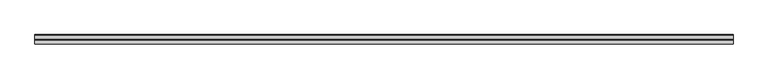
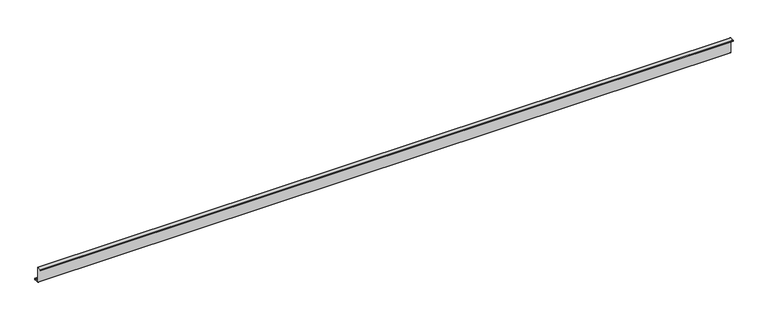
"""IFC4 building model written with IfcOpenShell, lengths in millimetres: member geometry."""

from ifc_helpers import new_model, si_unit, point, frame, frame_2d, origin, place, context, project, spatial, polyline, circle_curve, trimmed, segment, composite_curve, outline, extrude, source, transform, mapped, element, save


def member_9ab4b39a(model_context):
    return source(origin(), model_context, "Body", "SweptSolid", [
        extrude(outline(composite_curve([segment(polyline([(0.0, -123.5), (0.0, 123.5)]), True, "CONTINUOUS"), segment(trimmed(circle_curve(frame_2d((-2.0, 123.5)), 2.0), [point((0.0, 123.5))], [point((-2.0, 125.5))], True, "CARTESIAN"), True, "CONTINUOUS"), segment(polyline([(-2.0, 125.5), (-63.5, 125.5)]), True, "CONTINUOUS"), segment(trimmed(circle_curve(frame_2d((-63.5, 123.5)), 2.0), [point((-63.5, 125.5))], [point((-65.5, 123.5))], True, "CARTESIAN"), True, "CONTINUOUS"), segment(polyline([(-65.5, 123.5), (-65.5, 107.0), (-67.0, 107.0), (-67.0, 123.5)]), True, "CONTINUOUS"), segment(trimmed(circle_curve(frame_2d((-63.5, 123.5)), 3.5), [point((-67.0, 123.5))], [point((-63.5, 127.0))], False, "CARTESIAN"), True, "CONTINUOUS"), segment(polyline([(-63.5, 127.0), (-2.0, 127.0)]), True, "CONTINUOUS"), segment(trimmed(circle_curve(frame_2d((-2.0, 123.5)), 3.5), [point((-2.0, 127.0))], [point((1.5, 123.5))], False, "CARTESIAN"), True, "CONTINUOUS"), segment(polyline([(1.5, 123.5), (1.5, -123.5)]), True, "CONTINUOUS"), segment(trimmed(circle_curve(frame_2d((3.5, -123.5)), 2.0), [point((1.5, -123.5))], [point((3.5, -125.5))], True, "CARTESIAN"), True, "CONTINUOUS"), segment(polyline([(3.5, -125.5), (75.0, -125.5)]), True, "CONTINUOUS"), segment(trimmed(circle_curve(frame_2d((75.0, -123.5)), 2.0), [point((75.0, -125.5))], [point((77.0, -123.5))], True, "CARTESIAN"), True, "CONTINUOUS"), segment(polyline([(77.0, -123.5), (77.0, -107.5), (78.5, -107.5), (78.5, -123.5)]), True, "CONTINUOUS"), segment(trimmed(circle_curve(frame_2d((75.0, -123.5)), 3.5), [point((78.5, -123.5))], [point((75.0, -127.0))], False, "CARTESIAN"), True, "CONTINUOUS"), segment(polyline([(75.0, -127.0), (3.5, -127.0)]), True, "CONTINUOUS"), segment(trimmed(circle_curve(frame_2d((3.5, -123.5)), 3.5), [point((3.5, -127.0))], [point((0.0, -123.5))], False, "CARTESIAN"), True, "CONTINUOUS")], self_intersect=False)), frame((-5443.0, 0.0, 0.0), z_axis=(1.0, 0.0, 0.0), x_axis=(0.0, 1.0, 0.0)), (0.0, 0.0, 1.0), 10886.0),
    ])


if __name__ == "__main__":
    model = new_model("IFC4")
    model_context = context("Model", 3, world=origin())
    ifc_project = project(units=[si_unit("LENGTHUNIT", "METRE", prefix="MILLI")], contexts=[model_context])
    site = spatial("IfcSite", under=ifc_project)
    building = spatial("IfcBuilding", under=site)
    placement = place(None, origin())
    member_shape = member_9ab4b39a(model_context)
    element("IfcMember", 1, at=placement, inside=building, context=model_context, shape_type="MappedRepresentation", body=[
        mapped(member_shape, transform((0.0, 0.0, 0.0), x_axis=(1.0, 0.0, 0.0), y_axis=(0.0, 1.0, 0.0), z_axis=(0.0, 0.0, 1.0))),
    ])
    save(model, "model.ifc")
